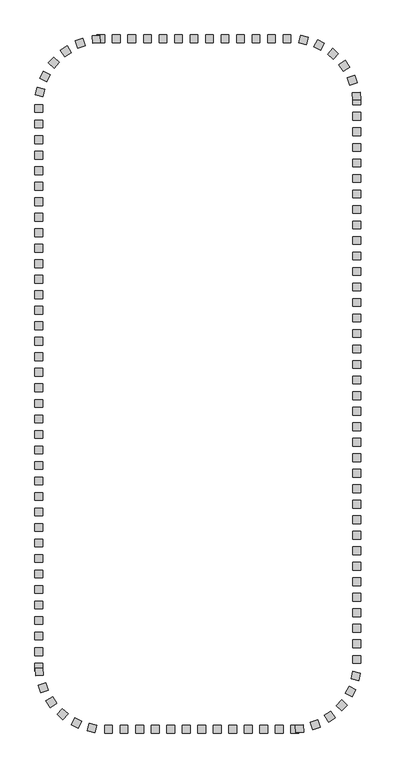
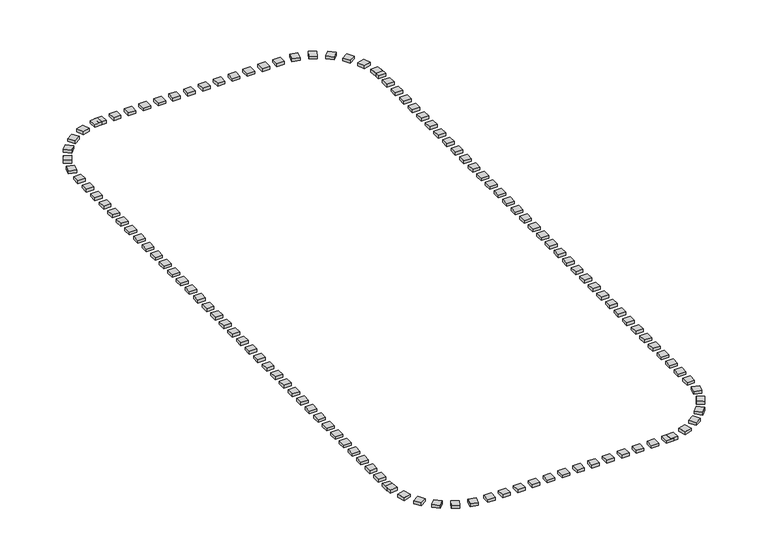
"""IFC4 building model written with IfcOpenShell, lengths in millimetres: railing geometry."""

from ifc_helpers import new_model, si_unit, origin, origin_with_axes, place, context, project, spatial, polyline, outline, extrude, source, transform, mapped, element, save


def railing_40d3a95b(model_context):
    return source(origin(), model_context, "Body", "SweptSolid", [
        extrude(outline(polyline([(-10627.5176302, 2754.6603569), (-10627.5176302, 2254.6603569), (-11127.5176302, 2254.6603569), (-11127.5176302, 2754.6603569), (-10627.5176302, 2754.6603569)])), origin_with_axes(), (0.0, 0.0, 1.0), 200.0),
        extrude(outline(polyline([(-11627.5176302, 2754.6603569), (-11627.5176302, 2254.6603569), (-12127.5176302, 2254.6603569), (-12127.5176302, 2754.6603569), (-11627.5176302, 2754.6603569)])), origin_with_axes(), (0.0, 0.0, 1.0), 200.0),
        extrude(outline(polyline([(-12627.5176302, 2754.6603569), (-12627.5176302, 2254.6603569), (-13127.5176302, 2254.6603569), (-13127.5176302, 2754.6603569), (-12627.5176302, 2754.6603569)])), origin_with_axes(), (0.0, 0.0, 1.0), 200.0),
        extrude(outline(polyline([(-13627.5176302, 2754.6603569), (-13627.5176302, 2254.6603569), (-14127.5176302, 2254.6603569), (-14127.5176302, 2754.6603569), (-13627.5176302, 2754.6603569)])), origin_with_axes(), (0.0, 0.0, 1.0), 200.0),
        extrude(outline(polyline([(-14627.5176302, 2754.6603569), (-14627.5176302, 2254.6603569), (-15127.5176302, 2254.6603569), (-15127.5176302, 2754.6603569), (-14627.5176302, 2754.6603569)])), origin_with_axes(), (0.0, 0.0, 1.0), 200.0),
        extrude(outline(polyline([(-15627.5176302, 2754.6603569), (-15627.5176302, 2254.6603569), (-16127.5176302, 2254.6603569), (-16127.5176302, 2754.6603569), (-15627.5176302, 2754.6603569)])), origin_with_axes(), (0.0, 0.0, 1.0), 200.0),
        extrude(outline(polyline([(-16627.5176302, 2754.6603569), (-16627.5176302, 2254.6603569), (-17127.5176302, 2254.6603569), (-17127.5176302, 2754.6603569), (-16627.5176302, 2754.6603569)])), origin_with_axes(), (0.0, 0.0, 1.0), 200.0),
        extrude(outline(polyline([(-17627.5176302, 2754.6603569), (-17627.5176302, 2254.6603569), (-18127.5176302, 2254.6603569), (-18127.5176302, 2754.6603569), (-17627.5176302, 2754.6603569)])), origin_with_axes(), (0.0, 0.0, 1.0), 200.0),
        extrude(outline(polyline([(-18627.5176302, 2754.6603569), (-18627.5176302, 2254.6603569), (-19127.5176302, 2254.6603569), (-19127.5176302, 2754.6603569), (-18627.5176302, 2754.6603569)])), origin_with_axes(), (0.0, 0.0, 1.0), 200.0),
        extrude(outline(polyline([(-19627.5176302, 2754.6603569), (-19627.5176302, 2254.6603569), (-20127.5176302, 2254.6603569), (-20127.5176302, 2754.6603569), (-19627.5176302, 2754.6603569)])), origin_with_axes(), (0.0, 0.0, 1.0), 200.0),
        extrude(outline(polyline([(-20627.5176302, 2754.6603569), (-20627.5176302, 2254.6603569), (-21127.5176302, 2254.6603569), (-21127.5176302, 2754.6603569), (-20627.5176302, 2754.6603569)])), origin_with_axes(), (0.0, 0.0, 1.0), 200.0),
        extrude(outline(polyline([(-21945.8350377, 2743.3877966), (-21910.4664368, 2244.6403033), (-22409.2139301, 2209.2717025), (-22444.582531, 2708.0191958), (-21945.8350377, 2743.3877966)])), origin_with_axes(), (0.0, 0.0, 1.0), 200.0),
        extrude(outline(polyline([(-23046.4682609, 2525.091144), (-22888.8070797, 2050.5988343), (-23363.2993894, 1892.9376531), (-23520.9605706, 2367.4299628), (-23046.4682609, 2525.091144)])), origin_with_axes(), (0.0, 0.0, 1.0), 200.0),
        extrude(outline(polyline([(-24058.8780066, 2041.2797885), (-23788.7268536, 1620.5442961), (-24209.462346, 1350.3931432), (-24479.613499, 1771.1286356), (-24058.8780066, 2041.2797885)])), origin_with_axes(), (0.0, 0.0, 1.0), 200.0),
        extrude(outline(polyline([(-24920.1175401, 1322.034777), (-24554.2731056, 981.215397), (-24895.0924857, 615.3709625), (-25260.9369201, 956.1903425), (-24920.1175401, 1322.034777)])), origin_with_axes(), (0.0, 0.0, 1.0), 200.0),
        extrude(outline(polyline([(-25576.6391587, 412.0752806), (-25137.8478777, 172.3625113), (-25377.560647, -266.4287697), (-25816.351928, -26.7160004), (-25576.6391587, 412.0752806)])), origin_with_axes(), (0.0, 0.0, 1.0), 200.0),
        extrude(outline(polyline([(-25987.6235278, -632.0218265), (-25503.167317, -755.7238061), (-25626.8692966, -1240.180017), (-26111.3255075, -1116.4780373), (-25987.6235278, -632.0218265)])), origin_with_axes(), (0.0, 0.0, 1.0), 200.0),
        extrude(outline(polyline([(-26127.5176302, -2745.3396431), (-25627.5176302, -2745.3396431), (-25627.5176302, -3245.3396431), (-26127.5176302, -3245.3396431), (-26127.5176302, -2745.3396431)])), origin_with_axes(), (0.0, 0.0, 1.0), 200.0),
        extrude(outline(polyline([(-26127.5176302, -3745.3396431), (-25627.5176302, -3745.3396431), (-25627.5176302, -4245.3396431), (-26127.5176302, -4245.3396431), (-26127.5176302, -3745.3396431)])), origin_with_axes(), (0.0, 0.0, 1.0), 200.0),
        extrude(outline(polyline([(-26127.5176302, -4745.3396431), (-25627.5176302, -4745.3396431), (-25627.5176302, -5245.3396431), (-26127.5176302, -5245.3396431), (-26127.5176302, -4745.3396431)])), origin_with_axes(), (0.0, 0.0, 1.0), 200.0),
        extrude(outline(polyline([(-26127.5176302, -5745.3396431), (-25627.5176302, -5745.3396431), (-25627.5176302, -6245.3396431), (-26127.5176302, -6245.3396431), (-26127.5176302, -5745.3396431)])), origin_with_axes(), (0.0, 0.0, 1.0), 200.0),
        extrude(outline(polyline([(-26127.5176302, -6745.3396431), (-25627.5176302, -6745.3396431), (-25627.5176302, -7245.3396431), (-26127.5176302, -7245.3396431), (-26127.5176302, -6745.3396431)])), origin_with_axes(), (0.0, 0.0, 1.0), 200.0),
        extrude(outline(polyline([(-26127.5176302, -7745.3396431), (-25627.5176302, -7745.3396431), (-25627.5176302, -8245.3396431), (-26127.5176302, -8245.3396431), (-26127.5176302, -7745.3396431)])), origin_with_axes(), (0.0, 0.0, 1.0), 200.0),
        extrude(outline(polyline([(-26127.5176302, -8745.3396431), (-25627.5176302, -8745.3396431), (-25627.5176302, -9245.3396431), (-26127.5176302, -9245.3396431), (-26127.5176302, -8745.3396431)])), origin_with_axes(), (0.0, 0.0, 1.0), 200.0),
        extrude(outline(polyline([(-26127.5176302, -9745.3396431), (-25627.5176302, -9745.3396431), (-25627.5176302, -10245.3396431), (-26127.5176302, -10245.3396431), (-26127.5176302, -9745.3396431)])), origin_with_axes(), (0.0, 0.0, 1.0), 200.0),
        extrude(outline(polyline([(-26127.5176302, -10745.3396431), (-25627.5176302, -10745.3396431), (-25627.5176302, -11245.3396431), (-26127.5176302, -11245.3396431), (-26127.5176302, -10745.3396431)])), origin_with_axes(), (0.0, 0.0, 1.0), 200.0),
        extrude(outline(polyline([(-26127.5176302, -11745.3396431), (-25627.5176302, -11745.3396431), (-25627.5176302, -12245.3396431), (-26127.5176302, -12245.3396431), (-26127.5176302, -11745.3396431)])), origin_with_axes(), (0.0, 0.0, 1.0), 200.0),
        extrude(outline(polyline([(-26127.5176302, -12745.3396431), (-25627.5176302, -12745.3396431), (-25627.5176302, -13245.3396431), (-26127.5176302, -13245.3396431), (-26127.5176302, -12745.3396431)])), origin_with_axes(), (0.0, 0.0, 1.0), 200.0),
        extrude(outline(polyline([(-26127.5176302, -13745.3396431), (-25627.5176302, -13745.3396431), (-25627.5176302, -14245.3396431), (-26127.5176302, -14245.3396431), (-26127.5176302, -13745.3396431)])), origin_with_axes(), (0.0, 0.0, 1.0), 200.0),
        extrude(outline(polyline([(-26127.5176302, -14745.3396431), (-25627.5176302, -14745.3396431), (-25627.5176302, -15245.3396431), (-26127.5176302, -15245.3396431), (-26127.5176302, -14745.3396431)])), origin_with_axes(), (0.0, 0.0, 1.0), 200.0),
        extrude(outline(polyline([(-26127.5176302, -15745.3396431), (-25627.5176302, -15745.3396431), (-25627.5176302, -16245.3396431), (-26127.5176302, -16245.3396431), (-26127.5176302, -15745.3396431)])), origin_with_axes(), (0.0, 0.0, 1.0), 200.0),
        extrude(outline(polyline([(-26127.5176302, -16745.3396431), (-25627.5176302, -16745.3396431), (-25627.5176302, -17245.3396431), (-26127.5176302, -17245.3396431), (-26127.5176302, -16745.3396431)])), origin_with_axes(), (0.0, 0.0, 1.0), 200.0),
        extrude(outline(polyline([(-26127.5176302, -17745.3396431), (-25627.5176302, -17745.3396431), (-25627.5176302, -18245.3396431), (-26127.5176302, -18245.3396431), (-26127.5176302, -17745.3396431)])), origin_with_axes(), (0.0, 0.0, 1.0), 200.0),
        extrude(outline(polyline([(-26127.5176302, -18745.3396431), (-25627.5176302, -18745.3396431), (-25627.5176302, -19245.3396431), (-26127.5176302, -19245.3396431), (-26127.5176302, -18745.3396431)])), origin_with_axes(), (0.0, 0.0, 1.0), 200.0),
        extrude(outline(polyline([(-26127.5176302, -19745.3396431), (-25627.5176302, -19745.3396431), (-25627.5176302, -20245.3396431), (-26127.5176302, -20245.3396431), (-26127.5176302, -19745.3396431)])), origin_with_axes(), (0.0, 0.0, 1.0), 200.0),
        extrude(outline(polyline([(-26127.5176302, -20745.3396431), (-25627.5176302, -20745.3396431), (-25627.5176302, -21245.3396431), (-26127.5176302, -21245.3396431), (-26127.5176302, -20745.3396431)])), origin_with_axes(), (0.0, 0.0, 1.0), 200.0),
        extrude(outline(polyline([(-26127.5176302, -21745.3396431), (-25627.5176302, -21745.3396431), (-25627.5176302, -22245.3396431), (-26127.5176302, -22245.3396431), (-26127.5176302, -21745.3396431)])), origin_with_axes(), (0.0, 0.0, 1.0), 200.0),
        extrude(outline(polyline([(-26127.5176302, -22745.3396431), (-25627.5176302, -22745.3396431), (-25627.5176302, -23245.3396431), (-26127.5176302, -23245.3396431), (-26127.5176302, -22745.3396431)])), origin_with_axes(), (0.0, 0.0, 1.0), 200.0),
        extrude(outline(polyline([(-26127.5176302, -23745.3396431), (-25627.5176302, -23745.3396431), (-25627.5176302, -24245.3396431), (-26127.5176302, -24245.3396431), (-26127.5176302, -23745.3396431)])), origin_with_axes(), (0.0, 0.0, 1.0), 200.0),
        extrude(outline(polyline([(-26127.5176302, -24745.3396431), (-25627.5176302, -24745.3396431), (-25627.5176302, -25245.3396431), (-26127.5176302, -25245.3396431), (-26127.5176302, -24745.3396431)])), origin_with_axes(), (0.0, 0.0, 1.0), 200.0),
        extrude(outline(polyline([(-26127.5176302, -25745.3396431), (-25627.5176302, -25745.3396431), (-25627.5176302, -26245.3396431), (-26127.5176302, -26245.3396431), (-26127.5176302, -25745.3396431)])), origin_with_axes(), (0.0, 0.0, 1.0), 200.0),
        extrude(outline(polyline([(-26127.5176302, -26745.3396431), (-25627.5176302, -26745.3396431), (-25627.5176302, -27245.3396431), (-26127.5176302, -27245.3396431), (-26127.5176302, -26745.3396431)])), origin_with_axes(), (0.0, 0.0, 1.0), 200.0),
        extrude(outline(polyline([(-26127.5176302, -27745.3396431), (-25627.5176302, -27745.3396431), (-25627.5176302, -28245.3396431), (-26127.5176302, -28245.3396431), (-26127.5176302, -27745.3396431)])), origin_with_axes(), (0.0, 0.0, 1.0), 200.0),
        extrude(outline(polyline([(-26127.5176302, -28745.3396431), (-25627.5176302, -28745.3396431), (-25627.5176302, -29245.3396431), (-26127.5176302, -29245.3396431), (-26127.5176302, -28745.3396431)])), origin_with_axes(), (0.0, 0.0, 1.0), 200.0),
        extrude(outline(polyline([(-26127.5176302, -29745.3396431), (-25627.5176302, -29745.3396431), (-25627.5176302, -30245.3396431), (-26127.5176302, -30245.3396431), (-26127.5176302, -29745.3396431)])), origin_with_axes(), (0.0, 0.0, 1.0), 200.0),
        extrude(outline(polyline([(-26127.5176302, -30745.3396431), (-25627.5176302, -30745.3396431), (-25627.5176302, -31245.3396431), (-26127.5176302, -31245.3396431), (-26127.5176302, -30745.3396431)])), origin_with_axes(), (0.0, 0.0, 1.0), 200.0),
        extrude(outline(polyline([(-26127.5176302, -31745.3396431), (-25627.5176302, -31745.3396431), (-25627.5176302, -32245.3396431), (-26127.5176302, -32245.3396431), (-26127.5176302, -31745.3396431)])), origin_with_axes(), (0.0, 0.0, 1.0), 200.0),
        extrude(outline(polyline([(-26127.5176302, -32745.3396431), (-25627.5176302, -32745.3396431), (-25627.5176302, -33245.3396431), (-26127.5176302, -33245.3396431), (-26127.5176302, -32745.3396431)])), origin_with_axes(), (0.0, 0.0, 1.0), 200.0),
        extrude(outline(polyline([(-26127.5176302, -33745.3396431), (-25627.5176302, -33745.3396431), (-25627.5176302, -34245.3396431), (-26127.5176302, -34245.3396431), (-26127.5176302, -33745.3396431)])), origin_with_axes(), (0.0, 0.0, 1.0), 200.0),
        extrude(outline(polyline([(-26127.5176302, -34745.3396431), (-25627.5176302, -34745.3396431), (-25627.5176302, -35245.3396431), (-26127.5176302, -35245.3396431), (-26127.5176302, -34745.3396431)])), origin_with_axes(), (0.0, 0.0, 1.0), 200.0),
        extrude(outline(polyline([(-26127.5176302, -35745.3396431), (-25627.5176302, -35745.3396431), (-25627.5176302, -36245.3396431), (-26127.5176302, -36245.3396431), (-26127.5176302, -35745.3396431)])), origin_with_axes(), (0.0, 0.0, 1.0), 200.0),
        extrude(outline(polyline([(-26127.5176302, -36745.3396431), (-25627.5176302, -36745.3396431), (-25627.5176302, -37245.3396431), (-26127.5176302, -37245.3396431), (-26127.5176302, -36745.3396431)])), origin_with_axes(), (0.0, 0.0, 1.0), 200.0),
        extrude(outline(polyline([(-26116.2450699, -38063.6570506), (-25617.4975766, -38028.2884498), (-25582.1289757, -38527.0359431), (-26080.876469, -38562.4045439), (-26116.2450699, -38063.6570506)])), origin_with_axes(), (0.0, 0.0, 1.0), 200.0),
        extrude(outline(polyline([(-25897.9484173, -39164.2902739), (-25423.4561076, -39006.6290927), (-25265.7949264, -39481.1214024), (-25740.2872361, -39638.7825836), (-25897.9484173, -39164.2902739)])), origin_with_axes(), (0.0, 0.0, 1.0), 200.0),
        extrude(outline(polyline([(-25414.1370618, -40176.7000195), (-24993.4015694, -39906.5488666), (-24723.2504164, -40327.284359), (-25143.9859089, -40597.4355119), (-25414.1370618, -40176.7000195)])), origin_with_axes(), (0.0, 0.0, 1.0), 200.0),
        extrude(outline(polyline([(-24694.8920503, -41037.9395531), (-24354.0726702, -40672.0951186), (-23988.2282358, -41012.9144986), (-24329.0476158, -41378.7589331), (-24694.8920503, -41037.9395531)])), origin_with_axes(), (0.0, 0.0, 1.0), 200.0),
        extrude(outline(polyline([(-23784.9325539, -41694.4611716), (-23545.2197846, -41255.6698907), (-23106.4285036, -41495.38266), (-23346.1412729, -41934.1739409), (-23784.9325539, -41694.4611716)])), origin_with_axes(), (0.0, 0.0, 1.0), 200.0),
        extrude(outline(polyline([(-22740.8354468, -42105.4455408), (-22617.1334672, -41620.98933), (-22132.6772563, -41744.6913096), (-22256.3792359, -42229.1475205), (-22740.8354468, -42105.4455408)])), origin_with_axes(), (0.0, 0.0, 1.0), 200.0),
        extrude(outline(polyline([(-20627.5176302, -42245.3396431), (-20627.5176302, -41745.3396431), (-20127.5176302, -41745.3396431), (-20127.5176302, -42245.3396431), (-20627.5176302, -42245.3396431)])), origin_with_axes(), (0.0, 0.0, 1.0), 200.0),
        extrude(outline(polyline([(-19627.5176302, -42245.3396431), (-19627.5176302, -41745.3396431), (-19127.5176302, -41745.3396431), (-19127.5176302, -42245.3396431), (-19627.5176302, -42245.3396431)])), origin_with_axes(), (0.0, 0.0, 1.0), 200.0),
        extrude(outline(polyline([(-18627.5176302, -42245.3396431), (-18627.5176302, -41745.3396431), (-18127.5176302, -41745.3396431), (-18127.5176302, -42245.3396431), (-18627.5176302, -42245.3396431)])), origin_with_axes(), (0.0, 0.0, 1.0), 200.0),
        extrude(outline(polyline([(-17627.5176302, -42245.3396431), (-17627.5176302, -41745.3396431), (-17127.5176302, -41745.3396431), (-17127.5176302, -42245.3396431), (-17627.5176302, -42245.3396431)])), origin_with_axes(), (0.0, 0.0, 1.0), 200.0),
        extrude(outline(polyline([(-16627.5176302, -42245.3396431), (-16627.5176302, -41745.3396431), (-16127.5176302, -41745.3396431), (-16127.5176302, -42245.3396431), (-16627.5176302, -42245.3396431)])), origin_with_axes(), (0.0, 0.0, 1.0), 200.0),
        extrude(outline(polyline([(-15627.5176302, -42245.3396431), (-15627.5176302, -41745.3396431), (-15127.5176302, -41745.3396431), (-15127.5176302, -42245.3396431), (-15627.5176302, -42245.3396431)])), origin_with_axes(), (0.0, 0.0, 1.0), 200.0),
        extrude(outline(polyline([(-14627.5176302, -42245.3396431), (-14627.5176302, -41745.3396431), (-14127.5176302, -41745.3396431), (-14127.5176302, -42245.3396431), (-14627.5176302, -42245.3396431)])), origin_with_axes(), (0.0, 0.0, 1.0), 200.0),
        extrude(outline(polyline([(-13627.5176302, -42245.3396431), (-13627.5176302, -41745.3396431), (-13127.5176302, -41745.3396431), (-13127.5176302, -42245.3396431), (-13627.5176302, -42245.3396431)])), origin_with_axes(), (0.0, 0.0, 1.0), 200.0),
        extrude(outline(polyline([(-12627.5176302, -42245.3396431), (-12627.5176302, -41745.3396431), (-12127.5176302, -41745.3396431), (-12127.5176302, -42245.3396431), (-12627.5176302, -42245.3396431)])), origin_with_axes(), (0.0, 0.0, 1.0), 200.0),
        extrude(outline(polyline([(-11627.5176302, -42245.3396431), (-11627.5176302, -41745.3396431), (-11127.5176302, -41745.3396431), (-11127.5176302, -42245.3396431), (-11627.5176302, -42245.3396431)])), origin_with_axes(), (0.0, 0.0, 1.0), 200.0),
        extrude(outline(polyline([(-10627.5176302, -42245.3396431), (-10627.5176302, -41745.3396431), (-10127.5176302, -41745.3396431), (-10127.5176302, -42245.3396431), (-10627.5176302, -42245.3396431)])), origin_with_axes(), (0.0, 0.0, 1.0), 200.0),
        extrude(outline(polyline([(-9309.2002226, -42234.0670828), (-9344.5688235, -41735.3195895), (-8845.8213302, -41699.9509887), (-8810.4527293, -42198.698482), (-9309.2002226, -42234.0670828)])), origin_with_axes(), (0.0, 0.0, 1.0), 200.0),
        extrude(outline(polyline([(-8208.5669994, -42015.7704302), (-8366.2281806, -41541.2781206), (-7891.7358709, -41383.6169394), (-7734.0746897, -41858.109249), (-8208.5669994, -42015.7704302)])), origin_with_axes(), (0.0, 0.0, 1.0), 200.0),
        extrude(outline(polyline([(-7196.1572537, -41531.9590748), (-7466.3084067, -41111.2235824), (-7045.5729143, -40841.0724294), (-6775.4217613, -41261.8079218), (-7196.1572537, -41531.9590748)])), origin_with_axes(), (0.0, 0.0, 1.0), 200.0),
        extrude(outline(polyline([(-6334.9177202, -40812.7140632), (-6700.7621547, -40471.8946832), (-6359.9427746, -40106.0502488), (-5994.0983402, -40446.8696288), (-6334.9177202, -40812.7140632)])), origin_with_axes(), (0.0, 0.0, 1.0), 200.0),
        extrude(outline(polyline([(-5678.3961016, -39902.7545668), (-6117.1873826, -39663.0417975), (-5877.4746133, -39224.2505166), (-5438.6833323, -39463.9632859), (-5678.3961016, -39902.7545668)])), origin_with_axes(), (0.0, 0.0, 1.0), 200.0),
        extrude(outline(polyline([(-5267.4117325, -38858.6574598), (-5751.8679433, -38734.9554801), (-5628.1659637, -38250.4992693), (-5143.7097528, -38374.2012489), (-5267.4117325, -38858.6574598)])), origin_with_axes(), (0.0, 0.0, 1.0), 200.0),
        extrude(outline(polyline([(-5127.5176302, -36745.3396431), (-5627.5176302, -36745.3396431), (-5627.5176302, -36245.3396431), (-5127.5176302, -36245.3396431), (-5127.5176302, -36745.3396431)])), origin_with_axes(), (0.0, 0.0, 1.0), 200.0),
        extrude(outline(polyline([(-5127.5176302, -35745.3396431), (-5627.5176302, -35745.3396431), (-5627.5176302, -35245.3396431), (-5127.5176302, -35245.3396431), (-5127.5176302, -35745.3396431)])), origin_with_axes(), (0.0, 0.0, 1.0), 200.0),
        extrude(outline(polyline([(-5127.5176302, -34745.3396431), (-5627.5176302, -34745.3396431), (-5627.5176302, -34245.3396431), (-5127.5176302, -34245.3396431), (-5127.5176302, -34745.3396431)])), origin_with_axes(), (0.0, 0.0, 1.0), 200.0),
        extrude(outline(polyline([(-5127.5176302, -33745.3396431), (-5627.5176302, -33745.3396431), (-5627.5176302, -33245.3396431), (-5127.5176302, -33245.3396431), (-5127.5176302, -33745.3396431)])), origin_with_axes(), (0.0, 0.0, 1.0), 200.0),
        extrude(outline(polyline([(-5127.5176302, -32745.3396431), (-5627.5176302, -32745.3396431), (-5627.5176302, -32245.3396431), (-5127.5176302, -32245.3396431), (-5127.5176302, -32745.3396431)])), origin_with_axes(), (0.0, 0.0, 1.0), 200.0),
        extrude(outline(polyline([(-5127.5176302, -31745.3396431), (-5627.5176302, -31745.3396431), (-5627.5176302, -31245.3396431), (-5127.5176302, -31245.3396431), (-5127.5176302, -31745.3396431)])), origin_with_axes(), (0.0, 0.0, 1.0), 200.0),
        extrude(outline(polyline([(-5127.5176302, -30745.3396431), (-5627.5176302, -30745.3396431), (-5627.5176302, -30245.3396431), (-5127.5176302, -30245.3396431), (-5127.5176302, -30745.3396431)])), origin_with_axes(), (0.0, 0.0, 1.0), 200.0),
        extrude(outline(polyline([(-5127.5176302, -29745.3396431), (-5627.5176302, -29745.3396431), (-5627.5176302, -29245.3396431), (-5127.5176302, -29245.3396431), (-5127.5176302, -29745.3396431)])), origin_with_axes(), (0.0, 0.0, 1.0), 200.0),
        extrude(outline(polyline([(-5127.5176302, -28745.3396431), (-5627.5176302, -28745.3396431), (-5627.5176302, -28245.3396431), (-5127.5176302, -28245.3396431), (-5127.5176302, -28745.3396431)])), origin_with_axes(), (0.0, 0.0, 1.0), 200.0),
        extrude(outline(polyline([(-5127.5176302, -27745.3396431), (-5627.5176302, -27745.3396431), (-5627.5176302, -27245.3396431), (-5127.5176302, -27245.3396431), (-5127.5176302, -27745.3396431)])), origin_with_axes(), (0.0, 0.0, 1.0), 200.0),
        extrude(outline(polyline([(-5127.5176302, -26745.3396431), (-5627.5176302, -26745.3396431), (-5627.5176302, -26245.3396431), (-5127.5176302, -26245.3396431), (-5127.5176302, -26745.3396431)])), origin_with_axes(), (0.0, 0.0, 1.0), 200.0),
        extrude(outline(polyline([(-5127.5176302, -25745.3396431), (-5627.5176302, -25745.3396431), (-5627.5176302, -25245.3396431), (-5127.5176302, -25245.3396431), (-5127.5176302, -25745.3396431)])), origin_with_axes(), (0.0, 0.0, 1.0), 200.0),
        extrude(outline(polyline([(-5127.5176302, -24745.3396431), (-5627.5176302, -24745.3396431), (-5627.5176302, -24245.3396431), (-5127.5176302, -24245.3396431), (-5127.5176302, -24745.3396431)])), origin_with_axes(), (0.0, 0.0, 1.0), 200.0),
        extrude(outline(polyline([(-5127.5176302, -23745.3396431), (-5627.5176302, -23745.3396431), (-5627.5176302, -23245.3396431), (-5127.5176302, -23245.3396431), (-5127.5176302, -23745.3396431)])), origin_with_axes(), (0.0, 0.0, 1.0), 200.0),
        extrude(outline(polyline([(-5127.5176302, -22745.3396431), (-5627.5176302, -22745.3396431), (-5627.5176302, -22245.3396431), (-5127.5176302, -22245.3396431), (-5127.5176302, -22745.3396431)])), origin_with_axes(), (0.0, 0.0, 1.0), 200.0),
        extrude(outline(polyline([(-5127.5176302, -21745.3396431), (-5627.5176302, -21745.3396431), (-5627.5176302, -21245.3396431), (-5127.5176302, -21245.3396431), (-5127.5176302, -21745.3396431)])), origin_with_axes(), (0.0, 0.0, 1.0), 200.0),
        extrude(outline(polyline([(-5127.5176302, -20745.3396431), (-5627.5176302, -20745.3396431), (-5627.5176302, -20245.3396431), (-5127.5176302, -20245.3396431), (-5127.5176302, -20745.3396431)])), origin_with_axes(), (0.0, 0.0, 1.0), 200.0),
        extrude(outline(polyline([(-5127.5176302, -19745.3396431), (-5627.5176302, -19745.3396431), (-5627.5176302, -19245.3396431), (-5127.5176302, -19245.3396431), (-5127.5176302, -19745.3396431)])), origin_with_axes(), (0.0, 0.0, 1.0), 200.0),
        extrude(outline(polyline([(-5127.5176302, -18745.3396431), (-5627.5176302, -18745.3396431), (-5627.5176302, -18245.3396431), (-5127.5176302, -18245.3396431), (-5127.5176302, -18745.3396431)])), origin_with_axes(), (0.0, 0.0, 1.0), 200.0),
        extrude(outline(polyline([(-5127.5176302, -17745.3396431), (-5627.5176302, -17745.3396431), (-5627.5176302, -17245.3396431), (-5127.5176302, -17245.3396431), (-5127.5176302, -17745.3396431)])), origin_with_axes(), (0.0, 0.0, 1.0), 200.0),
        extrude(outline(polyline([(-5127.5176302, -16745.3396431), (-5627.5176302, -16745.3396431), (-5627.5176302, -16245.3396431), (-5127.5176302, -16245.3396431), (-5127.5176302, -16745.3396431)])), origin_with_axes(), (0.0, 0.0, 1.0), 200.0),
        extrude(outline(polyline([(-5127.5176302, -15745.3396431), (-5627.5176302, -15745.3396431), (-5627.5176302, -15245.3396431), (-5127.5176302, -15245.3396431), (-5127.5176302, -15745.3396431)])), origin_with_axes(), (0.0, 0.0, 1.0), 200.0),
        extrude(outline(polyline([(-5127.5176302, -14745.3396431), (-5627.5176302, -14745.3396431), (-5627.5176302, -14245.3396431), (-5127.5176302, -14245.3396431), (-5127.5176302, -14745.3396431)])), origin_with_axes(), (0.0, 0.0, 1.0), 200.0),
        extrude(outline(polyline([(-5127.5176302, -13745.3396431), (-5627.5176302, -13745.3396431), (-5627.5176302, -13245.3396431), (-5127.5176302, -13245.3396431), (-5127.5176302, -13745.3396431)])), origin_with_axes(), (0.0, 0.0, 1.0), 200.0),
        extrude(outline(polyline([(-5127.5176302, -12745.3396431), (-5627.5176302, -12745.3396431), (-5627.5176302, -12245.3396431), (-5127.5176302, -12245.3396431), (-5127.5176302, -12745.3396431)])), origin_with_axes(), (0.0, 0.0, 1.0), 200.0),
        extrude(outline(polyline([(-5127.5176302, -11745.3396431), (-5627.5176302, -11745.3396431), (-5627.5176302, -11245.3396431), (-5127.5176302, -11245.3396431), (-5127.5176302, -11745.3396431)])), origin_with_axes(), (0.0, 0.0, 1.0), 200.0),
        extrude(outline(polyline([(-5127.5176302, -10745.3396431), (-5627.5176302, -10745.3396431), (-5627.5176302, -10245.3396431), (-5127.5176302, -10245.3396431), (-5127.5176302, -10745.3396431)])), origin_with_axes(), (0.0, 0.0, 1.0), 200.0),
        extrude(outline(polyline([(-5127.5176302, -9745.3396431), (-5627.5176302, -9745.3396431), (-5627.5176302, -9245.3396431), (-5127.5176302, -9245.3396431), (-5127.5176302, -9745.3396431)])), origin_with_axes(), (0.0, 0.0, 1.0), 200.0),
        extrude(outline(polyline([(-5127.5176302, -8745.3396431), (-5627.5176302, -8745.3396431), (-5627.5176302, -8245.3396431), (-5127.5176302, -8245.3396431), (-5127.5176302, -8745.3396431)])), origin_with_axes(), (0.0, 0.0, 1.0), 200.0),
        extrude(outline(polyline([(-5127.5176302, -7745.3396431), (-5627.5176302, -7745.3396431), (-5627.5176302, -7245.3396431), (-5127.5176302, -7245.3396431), (-5127.5176302, -7745.3396431)])), origin_with_axes(), (0.0, 0.0, 1.0), 200.0),
        extrude(outline(polyline([(-5127.5176302, -6745.3396431), (-5627.5176302, -6745.3396431), (-5627.5176302, -6245.3396431), (-5127.5176302, -6245.3396431), (-5127.5176302, -6745.3396431)])), origin_with_axes(), (0.0, 0.0, 1.0), 200.0),
        extrude(outline(polyline([(-5127.5176302, -5745.3396431), (-5627.5176302, -5745.3396431), (-5627.5176302, -5245.3396431), (-5127.5176302, -5245.3396431), (-5127.5176302, -5745.3396431)])), origin_with_axes(), (0.0, 0.0, 1.0), 200.0),
        extrude(outline(polyline([(-5127.5176302, -4745.3396431), (-5627.5176302, -4745.3396431), (-5627.5176302, -4245.3396431), (-5127.5176302, -4245.3396431), (-5127.5176302, -4745.3396431)])), origin_with_axes(), (0.0, 0.0, 1.0), 200.0),
        extrude(outline(polyline([(-5127.5176302, -3745.3396431), (-5627.5176302, -3745.3396431), (-5627.5176302, -3245.3396431), (-5127.5176302, -3245.3396431), (-5127.5176302, -3745.3396431)])), origin_with_axes(), (0.0, 0.0, 1.0), 200.0),
        extrude(outline(polyline([(-5127.5176302, -2745.3396431), (-5627.5176302, -2745.3396431), (-5627.5176302, -2245.3396431), (-5127.5176302, -2245.3396431), (-5127.5176302, -2745.3396431)])), origin_with_axes(), (0.0, 0.0, 1.0), 200.0),
        extrude(outline(polyline([(-5138.7901904, -1427.0222356), (-5637.5376837, -1462.3908365), (-5672.9062846, -963.6433432), (-5174.1587913, -928.2747423), (-5138.7901904, -1427.0222356)])), origin_with_axes(), (0.0, 0.0, 1.0), 200.0),
        extrude(outline(polyline([(-5357.0868431, -326.3890124), (-5831.5791527, -484.0501935), (-5989.2403339, -9.5578839), (-5514.7480242, 148.1032973), (-5357.0868431, -326.3890124)])), origin_with_axes(), (0.0, 0.0, 1.0), 200.0),
        extrude(outline(polyline([(-5840.8981985, 686.0207333), (-6261.6336909, 415.8695803), (-6531.7848439, 836.6050727), (-6111.0493514, 1106.7562257), (-5840.8981985, 686.0207333)])), origin_with_axes(), (0.0, 0.0, 1.0), 200.0),
        extrude(outline(polyline([(-6560.14321, 1547.2602668), (-6900.9625901, 1181.4158324), (-7266.8070245, 1522.2352124), (-6925.9876445, 1888.0796468), (-6560.14321, 1547.2602668)])), origin_with_axes(), (0.0, 0.0, 1.0), 200.0),
        extrude(outline(polyline([(-7470.1027064, 2203.7818854), (-7709.8154757, 1764.9906044), (-8148.6067567, 2004.7033737), (-7908.8939874, 2443.4946547), (-7470.1027064, 2203.7818854)])), origin_with_axes(), (0.0, 0.0, 1.0), 200.0),
        extrude(outline(polyline([(-8514.1998135, 2614.7662546), (-8637.9017931, 2130.3100437), (-9122.358004, 2254.0120233), (-8998.6560244, 2738.4682342), (-8514.1998135, 2614.7662546)])), origin_with_axes(), (0.0, 0.0, 1.0), 200.0),
        extrude(outline(polyline([(-9627.5176302, 2754.6603569), (-9627.5176302, 2254.6603569), (-10127.5176302, 2254.6603569), (-10127.5176302, 2754.6603569), (-9627.5176302, 2754.6603569)])), origin_with_axes(), (0.0, 0.0, 1.0), 200.0),
        extrude(outline(polyline([(-21627.5176302, 2754.6603569), (-21627.5176302, 2254.6603569), (-22127.5176302, 2254.6603569), (-22127.5176302, 2754.6603569), (-21627.5176302, 2754.6603569)])), origin_with_axes(), (0.0, 0.0, 1.0), 200.0),
        extrude(outline(polyline([(-26127.5176302, -1745.3396431), (-25627.5176302, -1745.3396431), (-25627.5176302, -2245.3396431), (-26127.5176302, -2245.3396431), (-26127.5176302, -1745.3396431)])), origin_with_axes(), (0.0, 0.0, 1.0), 200.0),
        extrude(outline(polyline([(-26127.5176302, -37745.3396431), (-25627.5176302, -37745.3396431), (-25627.5176302, -38245.3396431), (-26127.5176302, -38245.3396431), (-26127.5176302, -37745.3396431)])), origin_with_axes(), (0.0, 0.0, 1.0), 200.0),
        extrude(outline(polyline([(-21627.5176302, -42245.3396431), (-21627.5176302, -41745.3396431), (-21127.5176302, -41745.3396431), (-21127.5176302, -42245.3396431), (-21627.5176302, -42245.3396431)])), origin_with_axes(), (0.0, 0.0, 1.0), 200.0),
        extrude(outline(polyline([(-9627.5176302, -42245.3396431), (-9627.5176302, -41745.3396431), (-9127.5176302, -41745.3396431), (-9127.5176302, -42245.3396431), (-9627.5176302, -42245.3396431)])), origin_with_axes(), (0.0, 0.0, 1.0), 200.0),
        extrude(outline(polyline([(-5127.5176302, -37745.3396431), (-5627.5176302, -37745.3396431), (-5627.5176302, -37245.3396431), (-5127.5176302, -37245.3396431), (-5127.5176302, -37745.3396431)])), origin_with_axes(), (0.0, 0.0, 1.0), 200.0),
        extrude(outline(polyline([(-5127.5176302, -1745.3396431), (-5627.5176302, -1745.3396431), (-5627.5176302, -1245.3396431), (-5127.5176302, -1245.3396431), (-5127.5176302, -1745.3396431)])), origin_with_axes(), (0.0, 0.0, 1.0), 200.0),
    ])


if __name__ == "__main__":
    model = new_model("IFC4")
    model_context = context("Model", 3, world=origin())
    ifc_project = project(units=[si_unit("LENGTHUNIT", "METRE", prefix="MILLI")], contexts=[model_context])
    site = spatial("IfcSite", under=ifc_project)
    building = spatial("IfcBuilding", under=site)
    placement = place(None, origin())
    railing_shape = railing_40d3a95b(model_context)
    element("IfcRailing", 1, at=placement, inside=building, context=model_context, shape_type="MappedRepresentation", body=[
        mapped(railing_shape, transform((0.0, 0.0, 0.0), x_axis=(1.0, 0.0, 0.0), y_axis=(0.0, 1.0, 0.0), z_axis=(0.0, 0.0, 1.0))),
    ])
    save(model, "model.ifc")
